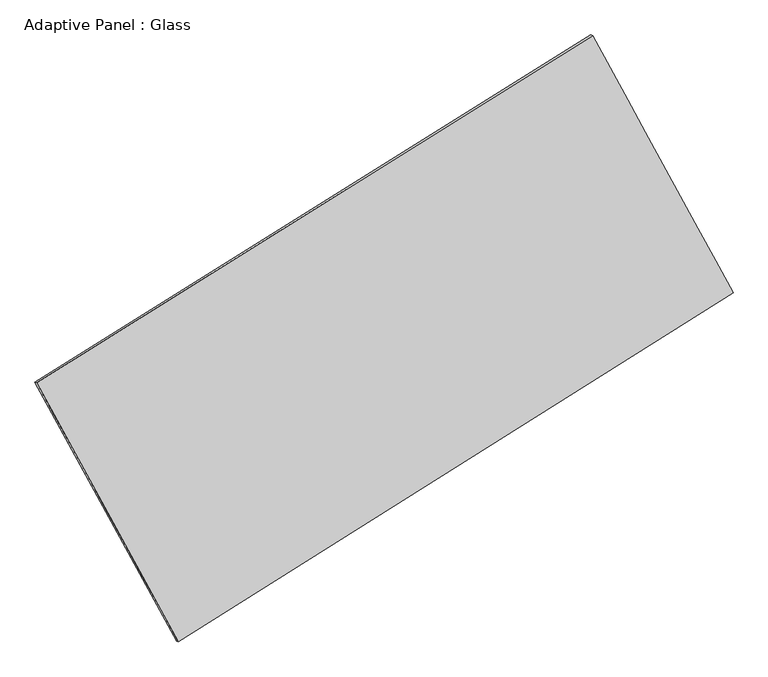
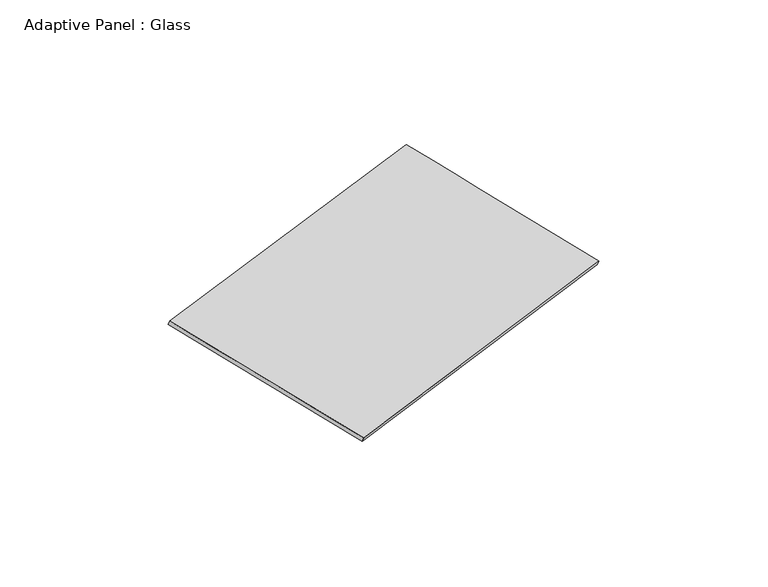
"""IFC4 building model written with IfcOpenShell, lengths in millimetres: plate geometry, Adaptive Panel : Glass."""

from ifc_helpers import new_model, si_unit, frame, origin, place, context, project, spatial, source, transform, mapped, element, save
from ifc_brep_helpers import plane_surface, spline_surface, advanced_brep


def adaptive_panel_glass_0694ed0e(model_context):
    return source(origin(), model_context, "Body", "AdvancedBrep", [
        advanced_brep(
        [(1177.6966106, 2567.8542279, 667.0172593), (-3723.8227494, -493.8696464, 1767.116631), (-3709.1563936, -500.2497398, 1814.489539), (1192.3629664, 2561.4741345, 714.3901674), (-2474.061833, -2776.1521989, 1077.8414877), (-2459.3954772, -2782.5322924, 1125.2143957), (2416.8973937, 301.9190445, -26.8528578), (2431.5637495, 295.538951, 20.5200503)],
        [
            (0, 1),
            (1, 2),
            (2, 3),
            (3, 0),
            (1, 4),
            (4, 5),
            (5, 2),
            (4, 6),
            (6, 7),
            (7, 5),
            (6, 0),
            (3, 7),
        ],
        [
            plane_surface(frame((-1273.0630694, 1036.9922908, 1217.0669452), z_axis=(-0.46923311227252595, 0.8442470911951228, 0.25897323289408375), x_axis=(-0.8331717615260721, -0.5204390080539472, 0.18699747241972478))),
            plane_surface(frame((-3098.9422912, -1635.0109226, 1422.4790593), z_axis=(-0.8359904275996112, -0.5150006158352618, 0.18945809734904567), x_axis=(0.46428353407885087, -0.8478631355753741, -0.2560642562239944))),
            plane_surface(frame((-28.5822197, -1237.1165772, 525.4943149), z_axis=(0.47171789132096437, -0.8426891575340207, -0.25953268538337454), x_axis=(0.8312915740507079, 0.5231641832170012, -0.18775930419338668))),
            plane_surface(frame((1797.2970021, 1434.8866362, 320.0822008), z_axis=(0.835910418092141, 0.5151468211357213, -0.1894136362535278), x_axis=(-0.4633850274942333, 0.8473206695959508, 0.25946483224059197))),
            spline_surface(1, 1, [[(-3709.1563936, -500.2497398, 1814.489539), (1192.3629664, 2561.4741345, 714.3901674)], [(-2459.3954772, -2782.5322924, 1125.2143957), (2431.5637495, 295.538951, 20.5200503)]], [2, 2], [2, 2], [0.0, 1.0], [0.0, 1.0]),
            spline_surface(1, 1, [[(2416.8973937, 301.9190445, -26.8528578), (1177.6966106, 2567.8542279, 667.0172593)], [(-2474.061833, -2776.1521989, 1077.8414877), (-3723.8227494, -493.8696464, 1767.116631)]], [2, 2], [2, 2], [0.0, 1.0], [0.0, 1.0]),
        ],
        [
            (0, [[1, 2, 3, 4]]),
            (1, [[5, 6, 7, -2]]),
            (2, [[8, 9, 10, -6]]),
            (3, [[11, -4, 12, -9]]),
            (4, [[-3, -7, -10, -12]]),
            (5, [[-11, -8, -5, -1]]),
        ],
    ),
    ])


if __name__ == "__main__":
    model = new_model("IFC4")
    model_context = context("Model", 3, world=origin())
    ifc_project = project(units=[si_unit("LENGTHUNIT", "METRE", prefix="MILLI")], contexts=[model_context])
    site = spatial("IfcSite", under=ifc_project)
    building = spatial("IfcBuilding", under=site)
    placement = place(None, origin())
    adaptive_panel_glass_shape = adaptive_panel_glass_0694ed0e(model_context)
    element("IfcPlate", 1, ObjectType="Adaptive Panel : Glass", at=placement, inside=building, context=model_context, shape_type="MappedRepresentation", body=[
        mapped(adaptive_panel_glass_shape, transform((0.0, 0.0, 0.0), x_axis=(1.0, 0.0, 0.0), y_axis=(0.0, 1.0, 0.0), z_axis=(0.0, 0.0, 1.0))),
    ])
    save(model, "model.ifc")
